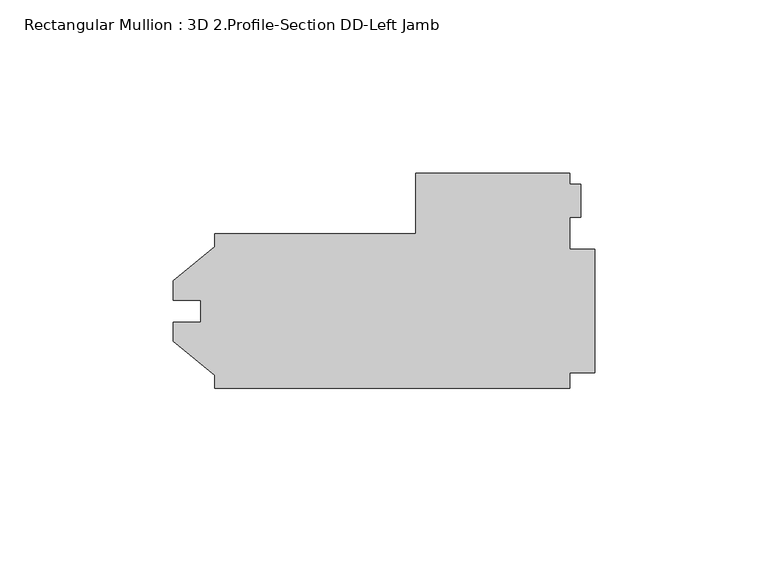
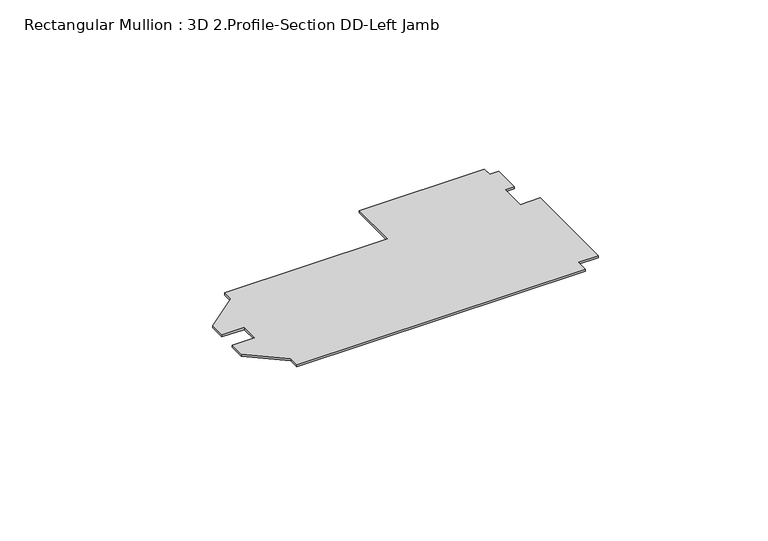
"""IFC4 building model written with IfcOpenShell, lengths in millimetres: member geometry, Rectangular Mullion : 3D 2.Profile-Section DD-Left Jamb."""

from ifc_helpers import new_model, si_unit, frame, origin, place, context, project, spatial, polyline, outline, extrude, source, transform, mapped, element, save


def rectangular_mullion_3d_2_profile_section_dd_left_jamb_b6352739(model_context):
    return source(origin(), model_context, "Body", "SweptSolid", [
        extrude(outline(polyline([(-109.5248, -22.2123), (-109.5248, -18.506136), (-121.43105, -8.7376), (-121.43105, -3.1623), (-113.4872, -3.1623), (-113.4872, 3.1877), (-121.43105, 3.1877), (-121.43105, 8.763), (-109.5248, 18.531536), (-109.5248, 22.2377), (-51.5874, 22.2377), (-51.5874, 39.6875), (-7.1924372, 39.6875), (-7.1924372, 36.5125), (-3.9624, 36.5125), (-3.9624, 26.9956909), (-7.1374, 26.9956909), (-7.1374, 17.872075), (0.0, 17.872075), (0.0, -17.846675), (-7.1374, -17.846675), (-7.1374, -22.2123), (-109.5248, -22.2123)])), frame((0.0, 0.0, -0.79375), z_axis=(0.0, 0.0, 1.0), x_axis=(1.0, 0.0, 0.0)), (0.0, 0.0, 1.0), 0.79375),
    ])


if __name__ == "__main__":
    model = new_model("IFC4")
    model_context = context("Model", 3, world=origin())
    ifc_project = project(units=[si_unit("LENGTHUNIT", "METRE", prefix="MILLI")], contexts=[model_context])
    site = spatial("IfcSite", under=ifc_project)
    building = spatial("IfcBuilding", under=site)
    placement = place(None, origin())
    rectangular_mullion_3d_2_profile_section_dd_left_jamb_shape = rectangular_mullion_3d_2_profile_section_dd_left_jamb_b6352739(model_context)
    element("IfcMember", 1, ObjectType="Rectangular Mullion : 3D 2.Profile-Section DD-Left Jamb", at=placement, inside=building, context=model_context, shape_type="MappedRepresentation", body=[
        mapped(rectangular_mullion_3d_2_profile_section_dd_left_jamb_shape, transform((0.0, 0.0, 0.0), x_axis=(1.0, 0.0, 0.0), y_axis=(0.0, 1.0, 0.0), z_axis=(0.0, 0.0, 1.0))),
    ])
    save(model, "model.ifc")
